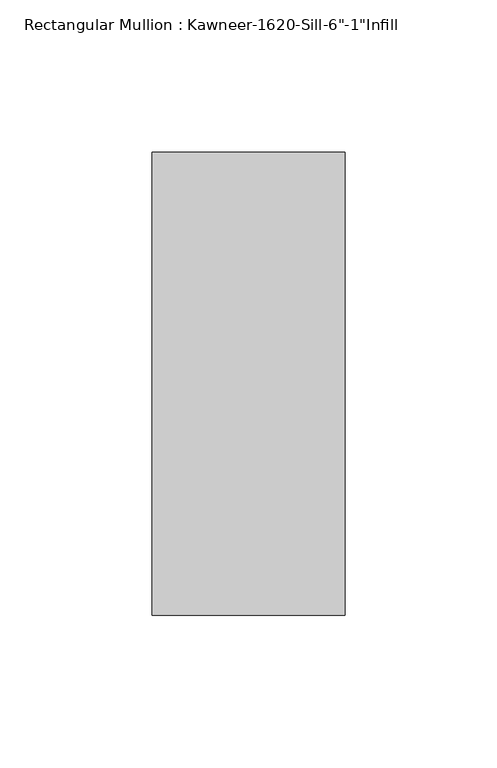
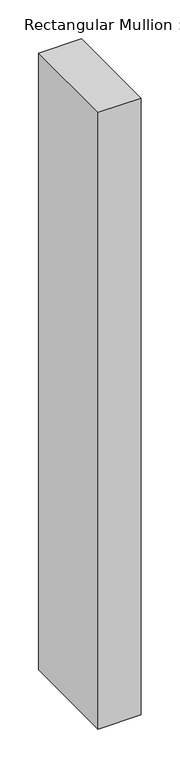
"""IFC4 building model written with IfcOpenShell, lengths in millimetres: member geometry."""

from ifc_helpers import new_model, si_unit, frame, origin, place, context, project, spatial, polyline, outline, extrude, source, transform, mapped, element, save


def member_ff2346a9(model_context):
    return source(origin(), model_context, "Body", "SweptSolid", [
        extrude(outline(polyline([(-63.5, 38.1), (0.0, 38.1), (0.0, -114.3), (-63.5, -114.3), (-63.5, 38.1)])), frame((0.0, 0.0, -965.2934633), z_axis=(0.0, 0.0, 1.0), x_axis=(1.0, 0.0, 0.0)), (0.0, 0.0, 1.0), 965.2934633),
    ])


if __name__ == "__main__":
    model = new_model("IFC4")
    model_context = context("Model", 3, world=origin())
    ifc_project = project(units=[si_unit("LENGTHUNIT", "METRE", prefix="MILLI")], contexts=[model_context])
    site = spatial("IfcSite", under=ifc_project)
    building = spatial("IfcBuilding", under=site)
    placement = place(None, origin())
    member_shape = member_ff2346a9(model_context)
    element("IfcMember", 1, ObjectType="Rectangular Mullion : Kawneer-1620-Sill-6\"-1\"Infill", at=placement, inside=building, context=model_context, shape_type="MappedRepresentation", body=[
        mapped(member_shape, transform((0.0, 0.0, 0.0), x_axis=(1.0, 0.0, 0.0), y_axis=(0.0, 1.0, 0.0), z_axis=(0.0, 0.0, 1.0))),
    ])
    save(model, "model.ifc")
